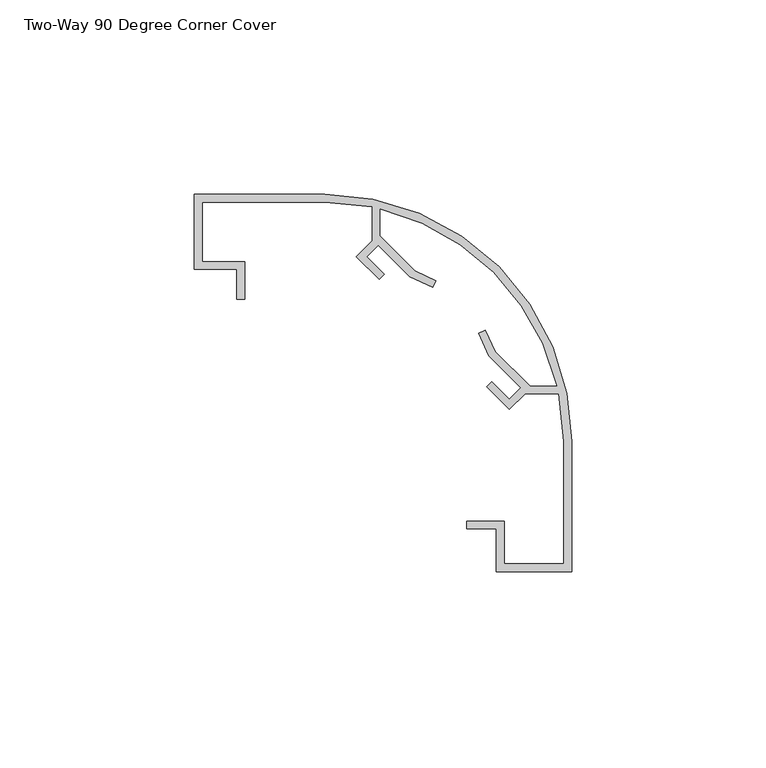
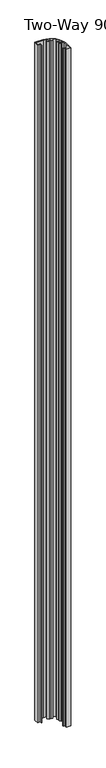
"""IFC4 building model written with IfcOpenShell, lengths in millimetres: proxy geometry, Two-Way 90 Degree Corner Cover."""

from ifc_helpers import new_model, si_unit, point, frame_2d, origin, origin_with_axes, place, context, project, spatial, polyline, circle_curve, trimmed, segment, composite_curve, outline, extrude, source, transform, mapped, element, save


def two_way_90_degree_corner_cover_a609cc2b(model_context):
    return source(origin(), model_context, "Body", "SweptSolid", [
        extrude(outline(composite_curve([segment(polyline([(61.5619621, -76.3749107), (42.2579634, -76.3749107), (42.2579634, -65.4211553), (34.6379616, -65.4211553), (34.6379616, -63.3891572), (44.2899638, -63.3891572), (44.2899638, -74.3429036), (59.5299629, -74.3429036), (59.5299629, -42.8723091), (58.3349994, -30.6549044), (49.6128856, -30.6549044), (45.5821016, -34.6856884), (39.7223245, -28.8711296), (41.0704093, -27.5230486), (45.5605373, -32.0131818), (48.5234701, -29.0502408), (40.3251077, -20.8182841), (37.669872, -15.1241153), (39.3949967, -14.3196798), (41.98556, -19.8171529), (50.9183133, -28.7499062), (57.9342149, -28.7499062), (54.1473676, -17.7179329), (48.6718184, -7.9873881), (41.5264015, 0.5921323), (32.9468812, 7.7375493), (23.2163341, 13.2130984), (12.184363, 16.9684379), (12.184363, 9.9836384), (21.2255081, 0.975396), (26.6152394, -1.5378799), (25.8095407, -3.2657137), (20.0075956, -0.5332669), (11.8633264, 7.5684994), (8.9210881, 4.626268), (13.41122, 0.1361406), (12.0857464, -1.1893368), (6.2259737, 4.6252245), (10.2793649, 8.6786172), (10.2793649, 17.4007301), (-1.9380398, 18.5956936), (-33.4086389, 18.5956936), (-33.4086389, 3.355694), (-22.4548925, 3.355694), (-22.4548925, -6.2963054), (-24.4868906, -6.2963054), (-24.4868906, 1.3236936), (-35.440637, 1.3236936), (-35.440637, 20.6276939), (-1.9380398, 20.6276939)]), True, "CONTINUOUS"), segment(trimmed(circle_curve(frame_2d((-1.9380398, -42.8723079)), 63.5000019), [point((-1.9380398, 20.6276939))], [point((61.5619621, -42.8723079))], False, "CARTESIAN"), True, "CONTINUOUS"), segment(polyline([(61.5619621, -42.8723079), (61.5619621, -76.3749107)]), True, "CONTINUOUS")], self_intersect=False)), origin_with_axes(), (0.0, 0.0, 1.0), 3048.0),
    ])


if __name__ == "__main__":
    model = new_model("IFC4")
    model_context = context("Model", 3, world=origin())
    ifc_project = project(units=[si_unit("LENGTHUNIT", "METRE", prefix="MILLI")], contexts=[model_context])
    site = spatial("IfcSite", under=ifc_project)
    building = spatial("IfcBuilding", under=site)
    placement = place(None, origin())
    two_way_90_degree_corner_cover_shape = two_way_90_degree_corner_cover_a609cc2b(model_context)
    element("IfcBuildingElementProxy", 1, Name="Two-Way 90 Degree Corner Cover", ObjectType="Two-Way 90 Degree Corner Cover", at=placement, inside=building, context=model_context, shape_type="MappedRepresentation", body=[
        mapped(two_way_90_degree_corner_cover_shape, transform((0.0, 0.0, 0.0), x_axis=(1.0, 0.0, 0.0), y_axis=(0.0, 1.0, 0.0), z_axis=(0.0, 0.0, 1.0))),
    ])
    save(model, "model.ifc")
